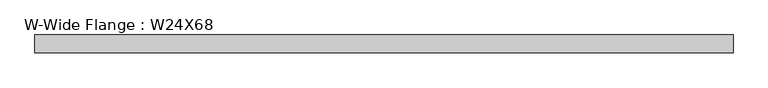
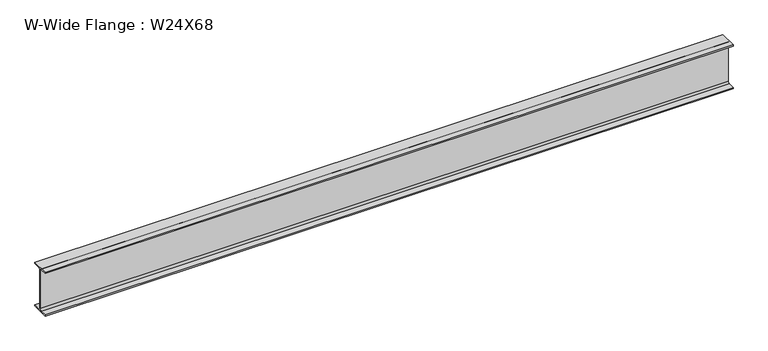
"""IFC4 building model written with IfcOpenShell, lengths in millimetres: beam geometry, W-Wide Flange : W24X68."""

from ifc_helpers import new_model, si_unit, point, frame, frame_2d, origin, place, context, project, spatial, polyline, circle_curve, trimmed, segment, composite_curve, outline, extrude, source, transform, mapped, element, save


def w_wide_flange_w24x68_c282a8af(model_context):
    return source(origin(), model_context, "Body", "SweptSolid", [
        extrude(outline(composite_curve([segment(polyline([(113.903125, -286.0972656), (113.903125, -300.9800781), (-113.903125, -300.9800781), (-113.903125, -286.0972656), (-28.4757813, -286.0972656)]), True, "CONTINUOUS"), segment(trimmed(circle_curve(frame_2d((-28.4757813, -262.8800781)), 23.2171875), [point((-28.4757813, -286.0972656))], [point((-5.2585938, -262.8800781))], True, "CARTESIAN"), True, "CONTINUOUS"), segment(polyline([(-5.2585938, -262.8800781), (-5.2585938, 262.8800781)]), True, "CONTINUOUS"), segment(trimmed(circle_curve(frame_2d((-28.4757813, 262.8800781)), 23.2171875), [point((-5.2585938, 262.8800781))], [point((-28.4757813, 286.0972656))], True, "CARTESIAN"), True, "CONTINUOUS"), segment(polyline([(-28.4757813, 286.0972656), (-113.903125, 286.0972656), (-113.903125, 300.9800781), (113.903125, 300.9800781), (113.903125, 286.0972656), (28.4757812, 286.0972656)]), True, "CONTINUOUS"), segment(trimmed(circle_curve(frame_2d((28.4757812, 262.8800781)), 23.2171875), [point((28.4757812, 286.0972656))], [point((5.2585937, 262.8800781))], True, "CARTESIAN"), True, "CONTINUOUS"), segment(polyline([(5.2585937, 262.8800781), (5.2585937, -262.8800781)]), True, "CONTINUOUS"), segment(trimmed(circle_curve(frame_2d((28.4757812, -262.8800781)), 23.2171875), [point((5.2585937, -262.8800781))], [point((28.4757812, -286.0972656))], True, "CARTESIAN"), True, "CONTINUOUS"), segment(polyline([(28.4757812, -286.0972656), (113.903125, -286.0972656)]), True, "CONTINUOUS")], self_intersect=False)), frame((-4455.1699219, 0.0, 0.0), z_axis=(1.0, 0.0, 0.0), x_axis=(0.0, 1.0, 0.0)), (0.0, 0.0, 1.0), 8962.6777344),
    ])


if __name__ == "__main__":
    model = new_model("IFC4")
    model_context = context("Model", 3, world=origin())
    ifc_project = project(units=[si_unit("LENGTHUNIT", "METRE", prefix="MILLI")], contexts=[model_context])
    site = spatial("IfcSite", under=ifc_project)
    building = spatial("IfcBuilding", under=site)
    placement = place(None, origin())
    w_wide_flange_w24x68_shape = w_wide_flange_w24x68_c282a8af(model_context)
    element("IfcBeam", 1, ObjectType="W-Wide Flange : W24X68", at=placement, inside=building, context=model_context, shape_type="MappedRepresentation", body=[
        mapped(w_wide_flange_w24x68_shape, transform((0.0, 0.0, 0.0), x_axis=(1.0, 0.0, 0.0), y_axis=(0.0, 1.0, 0.0), z_axis=(0.0, 0.0, 1.0))),
    ])
    save(model, "model.ifc")
